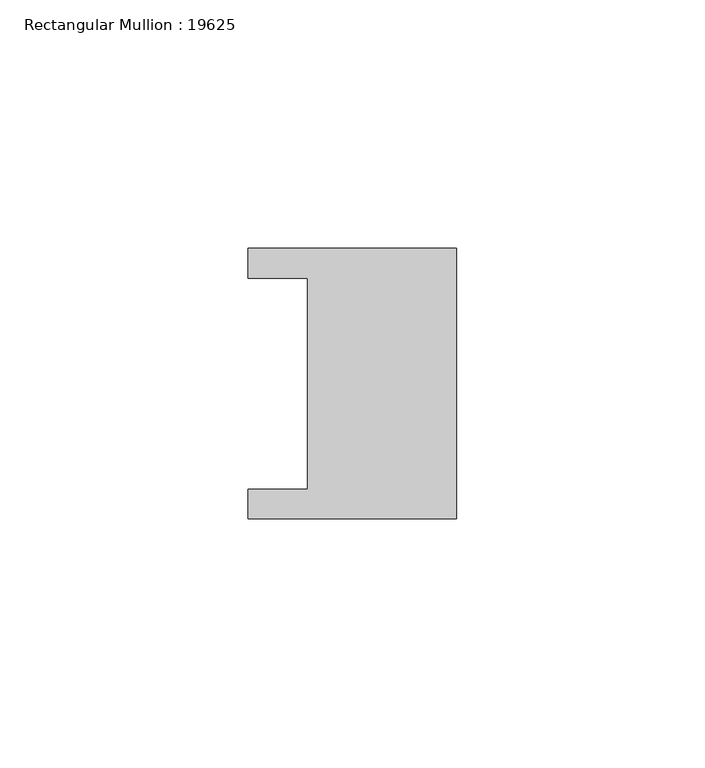
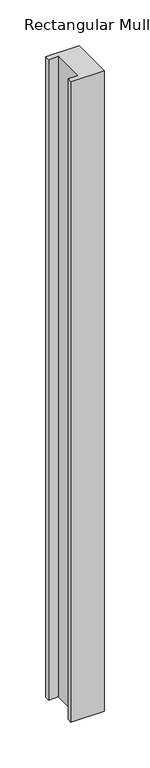
"""IFC4 building model written with IfcOpenShell, lengths in millimetres: member geometry, Rectangular Mullion : 19625."""

from ifc_helpers import new_model, si_unit, frame, origin, place, context, project, spatial, polyline, outline, extrude, source, transform, mapped, element, save


def rectangular_mullion_19625_7fd19c9e(model_context):
    return source(origin(), model_context, "Body", "SweptSolid", [
        extrude(outline(polyline([(0.0, 27.25), (0.0, -27.25), (-42.0, -27.25), (-42.0, -21.25), (-30.0, -21.25), (-30.0, 21.25), (-42.0, 21.25), (-42.0, 27.25), (0.0, 27.25)])), frame((0.0, 0.0, -853.25), z_axis=(0.0, 0.0, 1.0), x_axis=(1.0, 0.0, 0.0)), (0.0, 0.0, 1.0), 853.25),
    ])


if __name__ == "__main__":
    model = new_model("IFC4")
    model_context = context("Model", 3, world=origin())
    ifc_project = project(units=[si_unit("LENGTHUNIT", "METRE", prefix="MILLI")], contexts=[model_context])
    site = spatial("IfcSite", under=ifc_project)
    building = spatial("IfcBuilding", under=site)
    placement = place(None, origin())
    rectangular_mullion_19625_shape = rectangular_mullion_19625_7fd19c9e(model_context)
    element("IfcMember", 1, ObjectType="Rectangular Mullion : 19625", at=placement, inside=building, context=model_context, shape_type="MappedRepresentation", body=[
        mapped(rectangular_mullion_19625_shape, transform((0.0, 0.0, 0.0), x_axis=(1.0, 0.0, 0.0), y_axis=(0.0, 1.0, 0.0), z_axis=(0.0, 0.0, 1.0))),
    ])
    save(model, "model.ifc")
